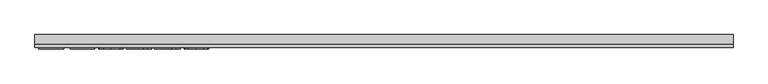
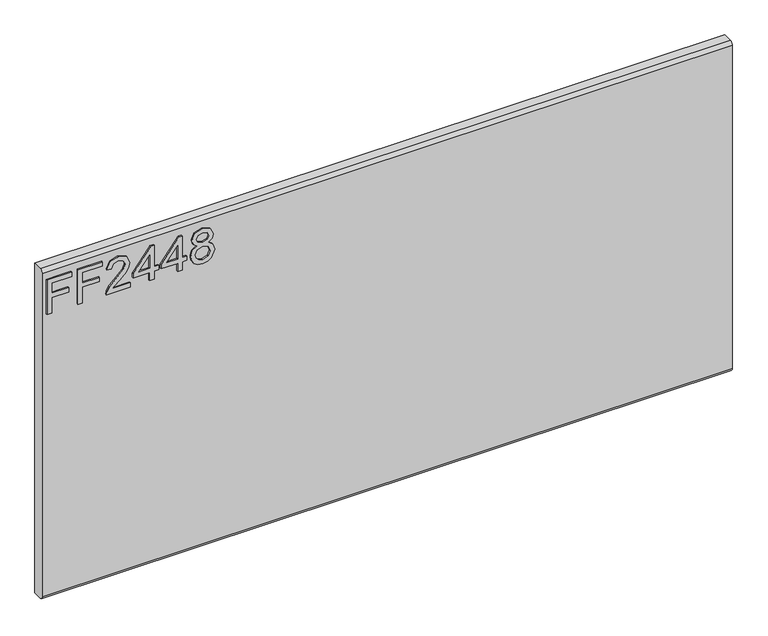
"""IFC4 building model written with IfcOpenShell, lengths in millimetres: furniture geometry."""

from ifc_helpers import new_model, si_unit, frame, origin, place, context, project, spatial, polyline, circle_curve, outline, extrude, source, transform, mapped, element, save
from ifc_brep_helpers import plane_surface, cylinder_surface, advanced_brep


def furniture_3086ef6d(model_context):
    return source(origin(), model_context, "Body", "SolidModel", [
        extrude(outline(polyline([(679.45, -596.2729953), (679.45, -588.2992757), (708.3547336, -588.2992757), (708.3547336, -558.3978271), (716.3284532, -558.3978271), (716.3284532, -588.2992757), (735.2660373, -588.2992757), (735.2660373, -553.4142524), (743.2397569, -553.4142524), (743.2397569, -596.2729953), (679.45, -596.2729953)])), frame((0.0, -15.0812439, 0.0), z_axis=(0.0, 1.0, 0.0), x_axis=(0.0, 0.0, 1.0)), (0.0, 0.0, 1.0), 2.38125),
        extrude(outline(polyline([(679.45, -542.4503879), (679.45, -534.4766683), (708.3547336, -534.4766683), (708.3547336, -504.5752197), (716.3284532, -504.5752197), (716.3284532, -534.4766683), (735.2660373, -534.4766683), (735.2660373, -499.591645), (743.2397569, -499.591645), (743.2397569, -542.4503879), (679.45, -542.4503879)])), frame((0.0, -15.0812439, 0.0), z_axis=(0.0, 1.0, 0.0), x_axis=(0.0, 0.0, 1.0)), (0.0, 0.0, 1.0), 2.38125),
        extrude(outline(polyline([(687.4237196, -450.7526123), (687.4237196, -482.0712649), (691.4806609, -478.4737469), (699.150694, -469.3008546), (710.0756243, -457.8775668), (717.8936072, -453.1665313), (725.4546245, -451.7493273), (738.1315928, -457.0054413), (743.2397569, -471.2787109), (738.645524, -485.5052594), (725.2988878, -491.6179253), (724.3021729, -483.6442057), (732.3537608, -480.2880796), (735.2660373, -471.4500212), (732.2836793, -462.9701573), (724.9718407, -459.7230469), (715.9391115, -463.1648282), (702.65477, -476.9319535), (693.4117962, -486.9146767), (684.9475059, -491.7580884), (679.45, -492.6146403), (679.45, -450.7526123), (687.4237196, -450.7526123)])), frame((0.0, -15.0812439, 0.0), z_axis=(0.0, 1.0, 0.0), x_axis=(0.0, 0.0, 1.0)), (0.0, 0.0, 1.0), 2.38125),
        extrude(outline(polyline([(679.45, -416.8643039), (679.45, -408.8905843), (694.4007243, -408.8905843), (694.4007243, -400.9168647), (702.3744439, -400.9168647), (702.3744439, -408.8905843), (742.243042, -408.8905843), (742.243042, -414.870874), (702.3744439, -445.7690375), (694.4007243, -445.7690375), (694.4007243, -416.8643039), (679.45, -416.8643039)]), holes=[polyline([(702.3744439, -416.8643039), (702.3744439, -435.9576247), (727.0119916, -416.8643039), (702.3744439, -416.8643039)])]), frame((0.0, -15.0812439, 0.0), z_axis=(0.0, 1.0, 0.0), x_axis=(0.0, 0.0, 1.0)), (0.0, 0.0, 1.0), 2.38125),
        extrude(outline(polyline([(679.45, -368.0252713), (679.45, -360.0515516), (694.4007243, -360.0515516), (694.4007243, -352.077832), (702.3744439, -352.077832), (702.3744439, -360.0515516), (742.243042, -360.0515516), (742.243042, -366.0318414), (702.3744439, -396.9300049), (694.4007243, -396.9300049), (694.4007243, -368.0252713), (679.45, -368.0252713)]), holes=[polyline([(702.3744439, -368.0252713), (702.3744439, -387.1185921), (727.0119916, -368.0252713), (702.3744439, -368.0252713)])]), frame((0.0, -15.0812439, 0.0), z_axis=(0.0, 1.0, 0.0), x_axis=(0.0, 0.0, 1.0)), (0.0, 0.0, 1.0), 2.38125),
        extrude(outline(polyline([(714.5842021, -333.4828687), (708.7907964, -342.0795352), (698.2318474, -345.1008274), (690.4742125, -343.6602628), (684.1143145, -339.338569), (679.8685424, -332.665251), (678.453285, -324.1698134), (679.8627023, -315.6743758), (684.090954, -309.0010577), (698.013816, -303.2387994), (708.3313731, -306.143289), (714.5842021, -314.623153), (719.513269, -307.5604931), (727.0275653, -305.2322293), (738.5209346, -310.4649828), (743.2397569, -324.2788291), (738.6299503, -337.968086), (727.2455967, -343.1073975), (719.5366295, -340.7479863), (714.5842021, -333.4828687)]), holes=[polyline([(698.5121735, -337.1271077), (706.9686769, -333.7554079), (710.3481635, -324.3722711), (706.9219559, -314.716595), (698.2629947, -311.212519), (689.7675571, -314.6075793), (686.4270047, -324.1075187), (688.0155191, -331.0845233), (692.5085232, -335.7955589), (698.5121735, -337.1271077)]), polyline([(727.0119916, -335.1336778), (732.8365446, -332.2603355), (735.2660373, -324.1698134), (732.7820368, -316.1026517), (726.6537972, -313.2059489), (720.7358022, -316.0092097), (718.3218831, -324.0763713), (720.7513758, -332.3070565), (727.0119916, -335.1336778)])]), frame((0.0, -15.0812439, 0.0), z_axis=(0.0, 1.0, 0.0), x_axis=(0.0, 0.0, 1.0)), (0.0, 0.0, 1.0), 2.38125),
        advanced_brep(
        [(603.25, 9.5250061, 762.0), (603.25, -6.7309939, 762.0), (603.25, -12.6999939, 756.031), (603.25, -12.6999939, 158.369), (603.25, -6.7309939, 152.4), (603.25, 9.5250061, 152.4), (-603.25, 9.5250061, 762.0), (-603.25, 9.5250061, 152.4), (-603.25, -6.7309939, 152.4), (-603.25, -12.6999939, 158.369), (-603.25, -12.6999939, 756.0310121), (-603.25, -6.7309939, 762.0)],
        [
            (0, 1),
            (1, 2, circle_curve(frame((603.25, -6.7309939, 756.031), z_axis=(1.0, 0.0, 0.0), x_axis=(0.0, 1.0, 0.0)), 5.969)),
            (2, 3),
            (3, 4, circle_curve(frame((603.25, -6.7309939, 158.369), z_axis=(1.0, 0.0, 0.0), x_axis=(0.0, 1.0, 0.0)), 5.969)),
            (4, 5),
            (5, 0),
            (6, 7),
            (7, 8),
            (8, 9, circle_curve(frame((-603.25, -6.7309939, 158.369), z_axis=(-1.0, 0.0, 0.0), x_axis=(0.0, 1.0, 0.0)), 5.969)),
            (9, 10),
            (10, 11, circle_curve(frame((-603.25, -6.7309939, 756.031), z_axis=(-1.0, 0.0, 0.0), x_axis=(0.0, 1.0, 0.0)), 5.969)),
            (11, 6),
            (0, 6),
            (11, 1),
            (10, 2),
            (9, 3),
            (8, 4),
            (7, 5),
        ],
        [
            plane_surface(frame((603.25, -6.7309939, 762.0), z_axis=(1.0, 0.0, 0.0), x_axis=(0.0, -1.0, 0.0))),
            plane_surface(frame((-603.25, -6.7309939, 762.0), z_axis=(-1.0, 0.0, 0.0), x_axis=(0.0, 1.0, 0.0))),
            plane_surface(frame((603.25, 9.5250061, 762.0), z_axis=(0.0, 0.0, 1.0), x_axis=(-1.0, 0.0, 0.0))),
            cylinder_surface(frame((-603.25, -6.7309939, 756.031), z_axis=(1.0, 0.0, 0.0), x_axis=(0.0, 1.0, 0.0)), 5.969),
            plane_surface(frame((603.25, -12.6999939, 756.0310121), z_axis=(0.0, -1.0, 0.0), x_axis=(-1.0, 0.0, 0.0))),
            cylinder_surface(frame((-603.25, -6.7309939, 158.369), z_axis=(1.0, 0.0, 0.0), x_axis=(0.0, 1.0, 0.0)), 5.969),
            plane_surface(frame((603.25, -6.7309939, 152.4), z_axis=(0.0, 0.0, -1.0), x_axis=(-1.0, 0.0, 0.0))),
            plane_surface(frame((603.25, 9.5250061, 152.4), z_axis=(0.0, 1.0, 0.0), x_axis=(-1.0, 0.0, 0.0))),
        ],
        [
            (0, [[1, 2, 3, 4, 5, 6]]),
            (1, [[7, 8, 9, 10, 11, 12]]),
            (2, [[-1, 13, -12, 14]]),
            (3, [[-2, -14, -11, 15]]),
            (4, [[-3, -15, -10, 16]]),
            (5, [[-4, -16, -9, 17]]),
            (6, [[-5, -17, -8, 18]]),
            (7, [[-6, -18, -7, -13]]),
        ],
    ),
    ])


if __name__ == "__main__":
    model = new_model("IFC4")
    model_context = context("Model", 3, world=origin())
    ifc_project = project(units=[si_unit("LENGTHUNIT", "METRE", prefix="MILLI")], contexts=[model_context])
    site = spatial("IfcSite", under=ifc_project)
    building = spatial("IfcBuilding", under=site)
    placement = place(None, origin())
    furniture_shape = furniture_3086ef6d(model_context)
    element("IfcFurniture", 1, at=placement, inside=building, context=model_context, shape_type="MappedRepresentation", body=[
        mapped(furniture_shape, transform((0.0, 0.0, 0.0), x_axis=(1.0, 0.0, 0.0), y_axis=(0.0, 1.0, 0.0), z_axis=(0.0, 0.0, 1.0))),
    ])
    save(model, "model.ifc")
